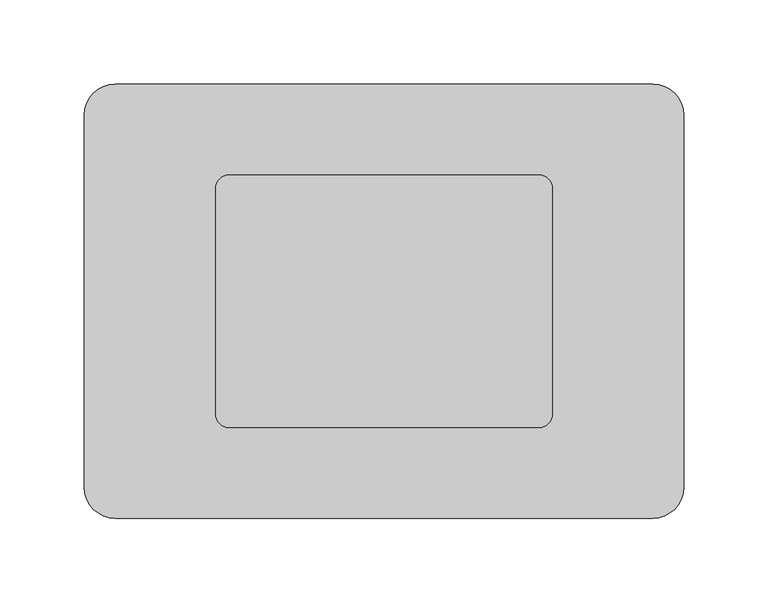
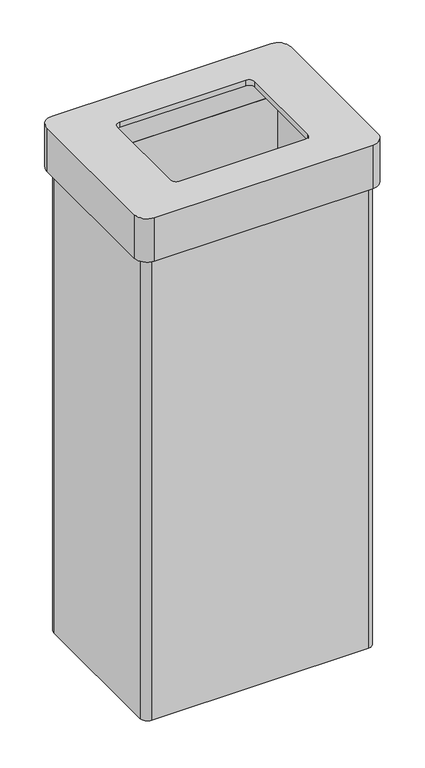
"""IFC4 building model written with IfcOpenShell, lengths in millimetres: furniture geometry."""

from ifc_helpers import new_model, si_unit, frame, origin, place, context, project, spatial, polyline, circle_curve, source, transform, mapped, element, save
from ifc_brep_helpers import plane_surface, cylinder_surface, revolved_surface, advanced_brep


def furniture_94867b98(model_context):
    return source(origin(), model_context, "Body", "AdvancedBrep", [
        advanced_brep(
        [(158.25, 119.75, 714.0), (-158.25, 119.75, 714.0), (-168.75, 109.25, 714.0), (-168.75, -109.25, 714.0), (-158.25, -119.75, 714.0), (158.25, -119.75, 714.0), (168.75, -109.25, 714.0), (168.75, 109.25, 714.0), (159.5, 110.5, 714.0), (159.5, -110.5, 714.0), (-159.5, -110.5, 714.0), (-159.5, 110.5, 714.0), (158.25, 119.75, 0.0), (168.75, 109.25, 0.0), (168.75, -109.25, 0.0), (158.25, -119.75, 0.0), (-158.25, -119.75, 0.0), (-168.75, -109.25, 0.0), (-168.75, 109.25, 0.0), (-158.25, 119.75, 0.0), (159.5, 110.5, 8.0), (159.5, -110.5, 8.0), (-159.5, -110.5, 8.0), (-159.5, 110.5, 8.0)],
        [
            (0, 1),
            (1, 2, circle_curve(frame((-158.25, 109.25, 714.0), z_axis=(0.0, 0.0, 1.0), x_axis=(1.0, 0.0, 0.0)), 10.5)),
            (2, 3),
            (3, 4, circle_curve(frame((-158.25, -109.25, 714.0), z_axis=(0.0, 0.0, 1.0), x_axis=(1.0, 0.0, 0.0)), 10.5)),
            (4, 5),
            (5, 6, circle_curve(frame((158.25, -109.25, 714.0), z_axis=(0.0, 0.0, 1.0), x_axis=(1.0, 0.0, 0.0)), 10.5)),
            (6, 7),
            (7, 0, circle_curve(frame((158.25, 109.25, 714.0), z_axis=(0.0, 0.0, 1.0), x_axis=(1.0, 0.0, 0.0)), 10.5)),
            (8, 9),
            (9, 10),
            (10, 11),
            (11, 8),
            (12, 13, circle_curve(frame((158.25, 109.25, 0.0), z_axis=(0.0, 0.0, -1.0), x_axis=(1.0, 0.0, 0.0)), 10.5)),
            (13, 14),
            (14, 15, circle_curve(frame((158.25, -109.25, 0.0), z_axis=(0.0, 0.0, -1.0), x_axis=(1.0, 0.0, 0.0)), 10.5)),
            (15, 16),
            (16, 17, circle_curve(frame((-158.25, -109.25, 0.0), z_axis=(0.0, 0.0, -1.0), x_axis=(1.0, 0.0, 0.0)), 10.5)),
            (17, 18),
            (18, 19, circle_curve(frame((-158.25, 109.25, 0.0), z_axis=(0.0, 0.0, -1.0), x_axis=(1.0, 0.0, 0.0)), 10.5)),
            (19, 12),
            (8, 20),
            (20, 21),
            (21, 9),
            (21, 22),
            (22, 10),
            (22, 23),
            (23, 11),
            (23, 20),
            (0, 12),
            (19, 1),
            (18, 2),
            (17, 3),
            (16, 4),
            (15, 5),
            (14, 6),
            (13, 7),
        ],
        [
            plane_surface(frame((159.5, 110.5, 714.0), z_axis=(0.0, 0.0, 1.0), x_axis=(0.0, -1.0, 0.0))),
            plane_surface(frame((159.5, 110.5, 0.0), z_axis=(0.0, 0.0, -1.0), x_axis=(0.0, 1.0, 0.0))),
            plane_surface(frame((159.5, 110.5, 714.0), z_axis=(-1.0, 0.0, 0.0), x_axis=(0.0, 0.0, -1.0))),
            plane_surface(frame((159.5, -110.5, 714.0), z_axis=(0.0, 1.0, 0.0), x_axis=(0.0, 0.0, -1.0))),
            plane_surface(frame((-159.5, -110.5, 714.0), z_axis=(1.0, 0.0, 0.0), x_axis=(0.0, 0.0, -1.0))),
            plane_surface(frame((-159.5, 110.5, 714.0), z_axis=(0.0, -1.0, 0.0), x_axis=(0.0, 0.0, -1.0))),
            plane_surface(frame((158.25, 119.75, 714.0), z_axis=(0.0, 1.0, 0.0), x_axis=(0.0, 0.0, -1.0))),
            cylinder_surface(frame((-158.25, 109.25, 0.0), z_axis=(0.0, 0.0, 1.0), x_axis=(1.0, 0.0, 0.0)), 10.5),
            plane_surface(frame((-168.75, 109.25, 714.0), z_axis=(-1.0, 0.0, 0.0), x_axis=(0.0, 0.0, -1.0))),
            cylinder_surface(frame((-158.25, -109.25, 0.0), z_axis=(0.0, 0.0, 1.0), x_axis=(1.0, 0.0, 0.0)), 10.5),
            plane_surface(frame((-158.25, -119.75, 714.0), z_axis=(0.0, -1.0, 0.0), x_axis=(0.0, 0.0, -1.0))),
            cylinder_surface(frame((158.25, -109.25, 0.0), z_axis=(0.0, 0.0, 1.0), x_axis=(1.0, 0.0, 0.0)), 10.5),
            plane_surface(frame((168.75, -109.25, 714.0), z_axis=(1.0, 0.0, 0.0), x_axis=(0.0, 0.0, -1.0))),
            cylinder_surface(frame((158.25, 109.25, 0.0), z_axis=(0.0, 0.0, 1.0), x_axis=(1.0, 0.0, 0.0)), 10.5),
            plane_surface(frame((-159.5, 110.5, 8.0), z_axis=(0.0, 0.0, 1.0), x_axis=(-1.0, 0.0, 0.0))),
        ],
        [
            (0, [[1, 2, 3, 4, 5, 6, 7, 8], [9, 10, 11, 12]]),
            (1, [[13, 14, 15, 16, 17, 18, 19, 20]]),
            (2, [[-9, 21, 22, 23]]),
            (3, [[-10, -23, 24, 25]]),
            (4, [[-11, -25, 26, 27]]),
            (5, [[-12, -27, 28, -21]]),
            (6, [[-1, 29, -20, 30]]),
            (7, [[-2, -30, -19, 31]]),
            (8, [[-3, -31, -18, 32]]),
            (9, [[-4, -32, -17, 33]]),
            (10, [[-5, -33, -16, 34]]),
            (11, [[-6, -34, -15, 35]]),
            (12, [[-7, -35, -14, 36]]),
            (13, [[-8, -36, -13, -29]]),
            (14, [[-22, -28, -26, -24]]),
        ],
    ),
        advanced_brep(
        [(159.5, 129.0, 781.0), (-159.5, 129.0, 781.0), (-178.0, 110.5, 781.0), (-178.0, -110.5, 781.0), (-159.5, -129.0, 781.0), (159.5, -129.0, 781.0), (178.0, -110.5, 781.0), (178.0, 110.5, 781.0), (92.0, 75.0, 781.0), (100.0, 67.0, 781.0), (100.0, -67.0, 781.0), (92.0, -75.0, 781.0), (-92.0, -75.0, 781.0), (-100.0, -67.0, 781.0), (-100.0, 67.0, 781.0), (-92.0, 75.0, 781.0), (159.5, 110.5, 773.0), (159.5, -110.5, 773.0), (-159.5, -110.5, 773.0), (-159.5, 110.5, 773.0), (92.0, 75.0, 773.0), (-92.0, 75.0, 773.0), (-100.0, 67.0, 773.0), (-100.0, -67.0, 773.0), (-92.0, -75.0, 773.0), (92.0, -75.0, 773.0), (100.0, -67.0, 773.0), (100.0, 67.0, 773.0), (159.5, 129.0, 714.0), (178.0, 110.5, 714.0), (178.0, -110.5, 714.0), (159.5, -129.0, 714.0), (-159.5, -129.0, 714.0), (-178.0, -110.5, 714.0), (-178.0, 110.5, 714.0), (-159.5, 129.0, 714.0), (159.5, 110.5, 714.0), (-159.5, 110.5, 714.0), (-159.5, -110.5, 714.0), (159.5, -110.5, 714.0)],
        [
            (0, 1),
            (1, 2, circle_curve(frame((-159.5, 110.5, 781.0), z_axis=(0.0, 0.0, 1.0), x_axis=(1.0, 0.0, 0.0)), 18.5)),
            (2, 3),
            (3, 4, circle_curve(frame((-159.5, -110.5, 781.0), z_axis=(0.0, 0.0, 1.0), x_axis=(1.0, 0.0, 0.0)), 18.5)),
            (4, 5),
            (5, 6, circle_curve(frame((159.5, -110.5, 781.0), z_axis=(0.0, 0.0, 1.0), x_axis=(1.0, 0.0, 0.0)), 18.5)),
            (6, 7),
            (7, 0, circle_curve(frame((159.5, 110.5, 781.0), z_axis=(0.0, 0.0, 1.0), x_axis=(1.0, 0.0, 0.0)), 18.5)),
            (8, 9, circle_curve(frame((92.0, 67.0, 781.0), z_axis=(0.0, 0.0, -1.0), x_axis=(1.0, 0.0, 0.0)), 8.0)),
            (9, 10),
            (10, 11, circle_curve(frame((92.0, -67.0, 781.0), z_axis=(0.0, 0.0, -1.0), x_axis=(1.0, 0.0, 0.0)), 8.0)),
            (11, 12),
            (12, 13, circle_curve(frame((-92.0, -67.0, 781.0), z_axis=(0.0, 0.0, -1.0), x_axis=(1.0, 0.0, 0.0)), 8.0)),
            (13, 14),
            (14, 15, circle_curve(frame((-92.0, 67.0, 781.0), z_axis=(0.0, 0.0, -1.0), x_axis=(1.0, 0.0, 0.0)), 8.0)),
            (15, 8),
            (16, 17),
            (17, 18),
            (18, 19),
            (19, 16),
            (20, 21),
            (21, 22, circle_curve(frame((-92.0, 67.0, 773.0), z_axis=(0.0, 0.0, 1.0), x_axis=(1.0, 0.0, 0.0)), 8.0)),
            (22, 23),
            (23, 24, circle_curve(frame((-92.0, -67.0, 773.0), z_axis=(0.0, 0.0, 1.0), x_axis=(1.0, 0.0, 0.0)), 8.0)),
            (24, 25),
            (25, 26, circle_curve(frame((92.0, -67.0, 773.0), z_axis=(0.0, 0.0, 1.0), x_axis=(1.0, 0.0, 0.0)), 8.0)),
            (26, 27),
            (27, 20, circle_curve(frame((92.0, 67.0, 773.0), z_axis=(0.0, 0.0, 1.0), x_axis=(1.0, 0.0, 0.0)), 8.0)),
            (28, 29, circle_curve(frame((159.5, 110.5, 714.0), z_axis=(0.0, 0.0, -1.0), x_axis=(1.0, 0.0, 0.0)), 18.5)),
            (29, 30),
            (30, 31, circle_curve(frame((159.5, -110.5, 714.0), z_axis=(0.0, 0.0, -1.0), x_axis=(1.0, 0.0, 0.0)), 18.5)),
            (31, 32),
            (32, 33, circle_curve(frame((-159.5, -110.5, 714.0), z_axis=(0.0, 0.0, -1.0), x_axis=(1.0, 0.0, 0.0)), 18.5)),
            (33, 34),
            (34, 35, circle_curve(frame((-159.5, 110.5, 714.0), z_axis=(0.0, 0.0, -1.0), x_axis=(1.0, 0.0, 0.0)), 18.5)),
            (35, 28),
            (36, 37),
            (37, 38),
            (38, 39),
            (39, 36),
            (0, 28),
            (35, 1),
            (34, 2),
            (33, 3),
            (32, 4),
            (31, 5),
            (30, 6),
            (29, 7),
            (39, 17),
            (16, 36),
            (38, 18),
            (37, 19),
            (8, 20),
            (27, 9),
            (26, 10),
            (25, 11),
            (24, 12),
            (23, 13),
            (22, 14),
            (21, 15),
        ],
        [
            plane_surface(frame((-159.5, 110.5, 781.0), z_axis=(0.0, 0.0, 1.0), x_axis=(-1.0, 0.0, 0.0))),
            plane_surface(frame((-159.5, 110.5, 773.0), z_axis=(0.0, 0.0, -1.0), x_axis=(1.0, 0.0, 0.0))),
            plane_surface(frame((-159.5, 129.0, 714.0), z_axis=(0.0, 0.0, -1.0), x_axis=(1.0, 0.0, 0.0))),
            plane_surface(frame((159.5, 129.0, 781.0), z_axis=(0.0, 1.0, 0.0), x_axis=(0.0, 0.0, -1.0))),
            cylinder_surface(frame((-159.5, 110.5, 714.0), z_axis=(0.0, 0.0, 1.0), x_axis=(1.0, 0.0, 0.0)), 18.5),
            plane_surface(frame((-178.0, 110.5, 781.0), z_axis=(-1.0, 0.0, 0.0), x_axis=(0.0, 0.0, -1.0))),
            cylinder_surface(frame((-159.5, -110.5, 714.0), z_axis=(0.0, 0.0, 1.0), x_axis=(1.0, 0.0, 0.0)), 18.5),
            plane_surface(frame((-159.5, -129.0, 781.0), z_axis=(0.0, -1.0, 0.0), x_axis=(0.0, 0.0, -1.0))),
            cylinder_surface(frame((159.5, -110.5, 714.0), z_axis=(0.0, 0.0, 1.0), x_axis=(1.0, 0.0, 0.0)), 18.5),
            plane_surface(frame((178.0, -110.5, 781.0), z_axis=(1.0, 0.0, 0.0), x_axis=(0.0, 0.0, -1.0))),
            cylinder_surface(frame((159.5, 110.5, 714.0), z_axis=(0.0, 0.0, 1.0), x_axis=(1.0, 0.0, 0.0)), 18.5),
            plane_surface(frame((159.5, 110.5, 781.0), z_axis=(-1.0, 0.0, 0.0), x_axis=(0.0, 0.0, -1.0))),
            plane_surface(frame((159.5, -110.5, 781.0), z_axis=(0.0, 1.0, 0.0), x_axis=(0.0, 0.0, -1.0))),
            plane_surface(frame((-159.5, -110.5, 781.0), z_axis=(1.0, 0.0, 0.0), x_axis=(0.0, 0.0, -1.0))),
            plane_surface(frame((-159.5, 110.5, 781.0), z_axis=(0.0, -1.0, 0.0), x_axis=(0.0, 0.0, -1.0))),
            revolved_surface(polyline([(100.0, 67.0, 773.0), (100.0, 67.0, 781.0)]), (92.0, 67.0, 781.0), (0.0, 0.0, -1.0)),
            plane_surface(frame((100.0, 67.0, 781.0), z_axis=(-1.0, 0.0, 0.0), x_axis=(0.0, 0.0, -1.0))),
            revolved_surface(polyline([(100.0, -67.0, 773.0), (100.0, -67.0, 781.0)]), (92.0, -67.0, 781.0), (0.0, 0.0, -1.0)),
            plane_surface(frame((92.0, -75.0, 781.0), z_axis=(0.0, 1.0, 0.0), x_axis=(0.0, 0.0, -1.0))),
            revolved_surface(polyline([(-84.0, -67.0, 773.0), (-84.0, -67.0, 781.0)]), (-92.0, -67.0, 781.0), (0.0, 0.0, -1.0)),
            plane_surface(frame((-100.0, -67.0, 781.0), z_axis=(1.0, 0.0, 0.0), x_axis=(0.0, 0.0, -1.0))),
            revolved_surface(polyline([(-84.0, 67.0, 773.0), (-84.0, 67.0, 781.0)]), (-92.0, 67.0, 781.0), (0.0, 0.0, -1.0)),
            plane_surface(frame((-92.0, 75.0, 781.0), z_axis=(0.0, -1.0, 0.0), x_axis=(0.0, 0.0, -1.0))),
        ],
        [
            (0, [[1, 2, 3, 4, 5, 6, 7, 8], [9, 10, 11, 12, 13, 14, 15, 16]]),
            (1, [[17, 18, 19, 20], [21, 22, 23, 24, 25, 26, 27, 28]]),
            (2, [[29, 30, 31, 32, 33, 34, 35, 36], [37, 38, 39, 40]]),
            (3, [[-1, 41, -36, 42]]),
            (4, [[-2, -42, -35, 43]]),
            (5, [[-3, -43, -34, 44]]),
            (6, [[-4, -44, -33, 45]]),
            (7, [[-5, -45, -32, 46]]),
            (8, [[-6, -46, -31, 47]]),
            (9, [[-7, -47, -30, 48]]),
            (10, [[-8, -48, -29, -41]]),
            (11, [[-40, 49, -17, 50]]),
            (12, [[-39, 51, -18, -49]]),
            (13, [[-38, 52, -19, -51]]),
            (14, [[-37, -50, -20, -52]]),
            (15, [[-9, 53, -28, 54]]),
            (16, [[-10, -54, -27, 55]]),
            (17, [[-11, -55, -26, 56]]),
            (18, [[-12, -56, -25, 57]]),
            (19, [[-13, -57, -24, 58]]),
            (20, [[-14, -58, -23, 59]]),
            (21, [[-15, -59, -22, 60]]),
            (22, [[-16, -60, -21, -53]]),
        ],
    ),
    ])


if __name__ == "__main__":
    model = new_model("IFC4")
    model_context = context("Model", 3, world=origin())
    ifc_project = project(units=[si_unit("LENGTHUNIT", "METRE", prefix="MILLI")], contexts=[model_context])
    site = spatial("IfcSite", under=ifc_project)
    building = spatial("IfcBuilding", under=site)
    placement = place(None, origin())
    furniture_shape = furniture_94867b98(model_context)
    element("IfcFurniture", 1, at=placement, inside=building, context=model_context, shape_type="MappedRepresentation", body=[
        mapped(furniture_shape, transform((0.0, 0.0, 0.0), x_axis=(1.0, 0.0, 0.0), y_axis=(0.0, 1.0, 0.0), z_axis=(0.0, 0.0, 1.0))),
    ])
    save(model, "model.ifc")
